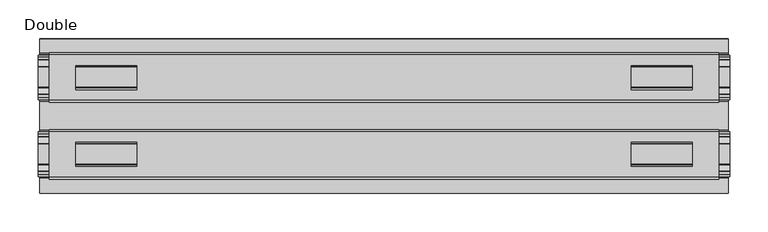
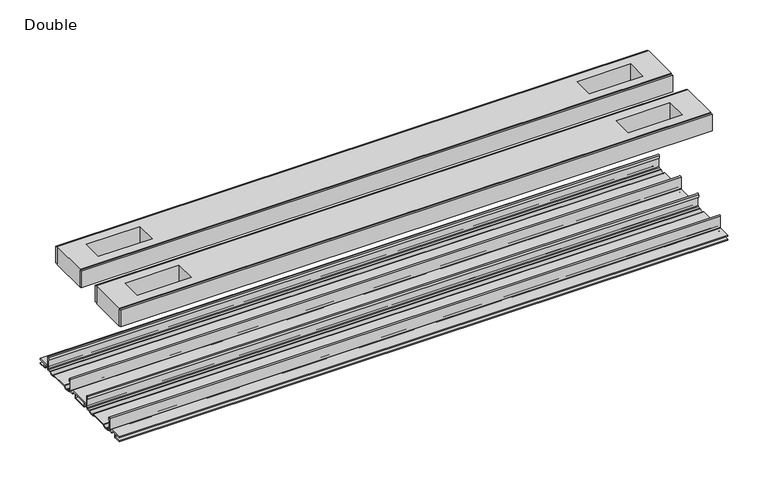
"""IFC4 building model written with IfcOpenShell, lengths in millimetres: proxy geometry, Double."""

from ifc_helpers import new_model, si_unit, point, frame, frame_2d, origin, place, context, project, spatial, polyline, circle_curve, trimmed, segment, composite_curve, outline, extrude, source, transform, mapped, element, save


def double_f926fb1b(model_context):
    return source(origin(), model_context, "Body", "SweptSolid", [
        extrude(outline(composite_curve([segment(polyline([(-78.8225461, -7.7516037), (-78.8225461, 9.8607558)]), True, "CONTINUOUS"), segment(trimmed(circle_curve(frame_2d((-77.6033482, 9.8607558)), 1.2191979), [point((-78.8225461, 9.8607558))], [point((-76.3841503, 9.8607558))], False, "CARTESIAN"), True, "CONTINUOUS"), segment(polyline([(-76.3841503, 9.8607558), (-76.3841503, 5.9999563), (-77.6643269, 5.9999563), (-77.6643269, -7.7516037)]), True, "CONTINUOUS"), segment(trimmed(circle_curve(frame_2d((-76.6483061, -7.7516037)), 1.0160208), [point((-77.6643269, -7.7516037))], [point((-76.6548232, -8.7676036))], True, "CARTESIAN"), True, "CONTINUOUS"), segment(polyline([(-76.6548232, -8.7676036), (-72.7118726, -8.7676036), (-71.7985108, -8.968753)]), True, "CONTINUOUS"), segment(trimmed(circle_curve(frame_2d((-67.7735521, -6.1259382)), 4.9276657), [point((-71.7985108, -8.968753))], [point((-63.7485934, -8.968753))], True, "CARTESIAN"), True, "CONTINUOUS"), segment(polyline([(-63.7485934, -8.968753), (-62.8352226, -8.7676036), (-36.7962778, -8.7676036), (-35.8829069, -8.968753)]), True, "CONTINUOUS"), segment(trimmed(circle_curve(frame_2d((-31.8579482, -6.1259382)), 4.9276657), [point((-35.8829069, -8.968753))], [point((-27.8329895, -8.968753))], True, "CARTESIAN"), True, "CONTINUOUS"), segment(polyline([(-27.8329895, -8.968753), (-26.9196277, -8.7676036), (-22.9766772, -8.7676036)]), True, "CONTINUOUS"), segment(trimmed(circle_curve(frame_2d((-22.9831943, -7.7516037)), 1.0160208), [point((-22.9766772, -8.7676036))], [point((-21.9671735, -7.7516037))], True, "CARTESIAN"), True, "CONTINUOUS"), segment(polyline([(-21.9671735, -7.7516037), (-21.9671735, 5.9999563), (-23.2473501, 5.9999563), (-23.2473501, 9.8607558)]), True, "CONTINUOUS"), segment(trimmed(circle_curve(frame_2d((-22.0281522, 9.8607558)), 1.2191979), [point((-23.2473501, 9.8607558))], [point((-20.8089542, 9.8607558))], False, "CARTESIAN"), True, "CONTINUOUS"), segment(polyline([(-20.8089542, 9.8607558), (-20.8089542, -7.7516037)]), True, "CONTINUOUS"), segment(trimmed(circle_curve(frame_2d((-22.9831943, -7.7516037)), 2.17424), [point((-20.8089542, -7.7516037))], [point((-22.9831943, -9.9258438))], False, "CARTESIAN"), True, "CONTINUOUS"), segment(polyline([(-22.9831943, -9.9258438), (-27.274181, -9.9258438)]), True, "CONTINUOUS"), segment(trimmed(circle_curve(frame_2d((-31.8545955, -6.4800016)), 5.7318431), [point((-27.274181, -9.9258438))], [point((-36.43501, -9.9258438))], False, "CARTESIAN"), True, "CONTINUOUS"), segment(polyline([(-36.43501, -9.9258438), (-63.1964904, -9.9258438)]), True, "CONTINUOUS"), segment(trimmed(circle_curve(frame_2d((-67.7769049, -6.4800016)), 5.7318431), [point((-63.1964904, -9.9258438))], [point((-72.3573194, -9.9258438))], False, "CARTESIAN"), True, "CONTINUOUS"), segment(polyline([(-72.3573194, -9.9258438), (-76.6483061, -9.9258438)]), True, "CONTINUOUS"), segment(trimmed(circle_curve(frame_2d((-76.6483061, -7.7516037)), 2.17424), [point((-76.6483061, -9.9258438))], [point((-78.8225461, -7.7516037))], False, "CARTESIAN"), True, "CONTINUOUS")], self_intersect=False)), frame((-448.9704, 0.0, 0.0), z_axis=(1.0, 0.0, 0.0), x_axis=(0.0, 1.0, 0.0)), (0.0, 0.0, 1.0), 897.9408),
        extrude(outline(composite_curve([segment(trimmed(circle_curve(frame_2d((77.0293057, -7.7516037)), 2.17424), [point((79.2035458, -7.7516037))], [point((77.0293057, -9.9258438))], False, "CARTESIAN"), True, "CONTINUOUS"), segment(polyline([(77.0293057, -9.9258438), (72.738319, -9.9258438)]), True, "CONTINUOUS"), segment(trimmed(circle_curve(frame_2d((68.1579045, -6.4800016)), 5.7318431), [point((72.738319, -9.9258438))], [point((63.57749, -9.9258438))], False, "CARTESIAN"), True, "CONTINUOUS"), segment(polyline([(63.57749, -9.9258438), (36.8160096, -9.9258438)]), True, "CONTINUOUS"), segment(trimmed(circle_curve(frame_2d((32.2355951, -6.4800016)), 5.7318431), [point((36.8160096, -9.9258438))], [point((27.6551806, -9.9258438))], False, "CARTESIAN"), True, "CONTINUOUS"), segment(polyline([(27.6551806, -9.9258438), (23.3641939, -9.9258438)]), True, "CONTINUOUS"), segment(trimmed(circle_curve(frame_2d((23.3641939, -7.7516037)), 2.17424), [point((23.3641939, -9.9258438))], [point((21.1899539, -7.7516037))], False, "CARTESIAN"), True, "CONTINUOUS"), segment(polyline([(21.1899539, -7.7516037), (21.1899539, 9.8607558)]), True, "CONTINUOUS"), segment(trimmed(circle_curve(frame_2d((22.4091518, 9.8607558)), 1.2191979), [point((21.1899539, 9.8607558))], [point((23.6283497, 9.8607558))], False, "CARTESIAN"), True, "CONTINUOUS"), segment(polyline([(23.6283497, 9.8607558), (23.6283497, 5.9999563), (22.3481731, 5.9999563), (22.3481731, -7.7516037)]), True, "CONTINUOUS"), segment(trimmed(circle_curve(frame_2d((23.3641939, -7.7516037)), 1.0160208), [point((22.3481731, -7.7516037))], [point((23.3576768, -8.7676036))], True, "CARTESIAN"), True, "CONTINUOUS"), segment(polyline([(23.3576768, -8.7676036), (27.3006274, -8.7676036), (28.2139892, -8.968753)]), True, "CONTINUOUS"), segment(trimmed(circle_curve(frame_2d((32.2389479, -6.1259382)), 4.9276657), [point((28.2139892, -8.968753))], [point((36.2639066, -8.968753))], True, "CARTESIAN"), True, "CONTINUOUS"), segment(polyline([(36.2639066, -8.968753), (37.1772774, -8.7676036), (63.2162222, -8.7676036), (64.1295931, -8.968753)]), True, "CONTINUOUS"), segment(trimmed(circle_curve(frame_2d((68.1545518, -6.1259382)), 4.9276657), [point((64.1295931, -8.968753))], [point((72.1795105, -8.968753))], True, "CARTESIAN"), True, "CONTINUOUS"), segment(polyline([(72.1795105, -8.968753), (73.0928723, -8.7676036), (77.0358228, -8.7676036)]), True, "CONTINUOUS"), segment(trimmed(circle_curve(frame_2d((77.0293057, -7.7516037)), 1.0160208), [point((77.0358228, -8.7676036))], [point((78.0453265, -7.7516037))], True, "CARTESIAN"), True, "CONTINUOUS"), segment(polyline([(78.0453265, -7.7516037), (78.0453265, 5.9999563), (76.7651499, 5.9999563), (76.7651499, 9.8607558)]), True, "CONTINUOUS"), segment(trimmed(circle_curve(frame_2d((77.9843478, 9.8607558)), 1.2191979), [point((76.7651499, 9.8607558))], [point((79.2035458, 9.8607558))], False, "CARTESIAN"), True, "CONTINUOUS"), segment(polyline([(79.2035458, 9.8607558), (79.2035458, -7.7516037)]), True, "CONTINUOUS")], self_intersect=False)), frame((-448.9704, 0.0, 0.0), z_axis=(1.0, 0.0, 0.0), x_axis=(0.0, 1.0, 0.0)), (0.0, 0.0, 1.0), 897.9408),
        extrude(outline(polyline([(434.9115091, -78.8225461), (434.9115091, -81.9975522), (-434.9115091, -81.9975522), (-434.9115091, -78.8225461), (434.9115091, -78.8225461)])), frame((0.0, 0.0, 149.8401622), z_axis=(0.0, 0.0, 1.0), x_axis=(1.0, 0.0, 0.0)), (0.0, 0.0, 1.0), 25.3999939),
        extrude(outline(polyline([(434.9115091, -17.6339482), (434.9115091, -20.8089542), (-434.9115091, -20.8089542), (-434.9115091, -17.6339482), (434.9115091, -17.6339482)])), frame((0.0, 0.0, 149.8401622), z_axis=(0.0, 0.0, 1.0), x_axis=(1.0, 0.0, 0.0)), (0.0, 0.0, 1.0), 25.3999939),
        extrude(outline(polyline([(434.9115091, 21.1899493), (434.9115091, 18.0149501), (-434.9115091, 18.0149501), (-434.9115091, 21.1899493), (434.9115091, 21.1899493)])), frame((0.0, 0.0, 149.8401622), z_axis=(0.0, 0.0, 1.0), x_axis=(1.0, 0.0, 0.0)), (0.0, 0.0, 1.0), 25.3999939),
        extrude(outline(polyline([(434.9115091, 82.3785496), (434.9115091, 79.2035503), (-434.9115091, 79.2035503), (-434.9115091, 82.3785496), (434.9115091, 82.3785496)])), frame((0.0, 0.0, 149.8401622), z_axis=(0.0, 0.0, 1.0), x_axis=(1.0, 0.0, 0.0)), (0.0, 0.0, 1.0), 25.3999939),
        extrude(outline(polyline([(434.9115091, 79.2035503), (434.9115091, 21.1899493), (-434.9115091, 21.1899493), (-434.9115091, 79.2035503), (434.9115091, 79.2035503)]), holes=[polyline([(400.4944965, 65.3097536), (321.4496847, 65.3097536), (321.4496847, 34.3217468), (400.4944965, 34.3217468), (400.4944965, 65.3097536)]), polyline([(-400.4944965, 65.3097536), (-400.4944965, 34.3217468), (-321.4496847, 34.3217468), (-321.4496847, 65.3097536), (-400.4944965, 65.3097536)])]), frame((0.0, 0.0, 148.4185847), z_axis=(0.0, 0.0, 1.0), x_axis=(1.0, 0.0, 0.0)), (0.0, 0.0, 1.0), 27.9999988),
        extrude(outline(polyline([(434.9115091, -78.8225461), (-434.9115091, -78.8225461), (-434.9115091, -20.8224524), (434.9115091, -20.8224524), (434.9115091, -78.8225461)]), holes=[polyline([(400.4944965, -65.3097536), (400.4944965, -34.3217468), (321.4496847, -34.3217468), (321.4496847, -65.3097536), (400.4944965, -65.3097536)]), polyline([(-400.4944965, -65.3097536), (-321.4496847, -65.3097536), (-321.4496847, -34.3217468), (-400.4944965, -34.3217468), (-400.4944965, -65.3097536)])]), frame((0.0, 0.0, 148.4185847), z_axis=(0.0, 0.0, 1.0), x_axis=(1.0, 0.0, 0.0)), (0.0, 0.0, 1.0), 27.9999988),
        extrude(outline(composite_curve([segment(polyline([(-100.2730922, -13.9898438), (-100.2302711, -12.3388438), (-89.7890007, -12.3388438), (-89.7890007, -7.766844), (-100.2302711, -7.766844), (-100.2730922, -6.1158439), (-81.1847475, -6.1158439)]), True, "CONTINUOUS"), segment(trimmed(circle_curve(frame_2d((-81.1847475, -7.6398436)), 1.5239997), [point((-81.1847475, -6.1158439))], [point((-79.6607478, -7.6398436))], False, "CARTESIAN"), True, "CONTINUOUS"), segment(polyline([(-79.6607478, -7.6398436), (-79.6607478, -9.9258438), (-73.1120844, -9.9258438)]), True, "CONTINUOUS"), segment(trimmed(circle_curve(frame_2d((-67.7735521, -5.2268471)), 7.1119966), [point((-73.1120844, -9.9258438))], [point((-62.4350199, -9.9258438))], True, "CARTESIAN"), True, "CONTINUOUS"), segment(polyline([(-62.4350199, -9.9258438), (-37.1964805, -9.9258438)]), True, "CONTINUOUS"), segment(trimmed(circle_curve(frame_2d((-31.8579482, -5.2268471)), 7.1119966), [point((-37.1964805, -9.9258438))], [point((-26.519416, -9.9258438))], True, "CARTESIAN"), True, "CONTINUOUS"), segment(polyline([(-26.519416, -9.9258438), (-19.9707525, -9.9258438), (-19.9707525, -7.7656583)]), True, "CONTINUOUS"), segment(trimmed(circle_curve(frame_2d((-18.3197518, -7.7656583)), 1.6510007), [point((-19.9707525, -7.7656583))], [point((-18.3823282, -6.1158439))], False, "CARTESIAN"), True, "CONTINUOUS"), segment(polyline([(-18.3823282, -6.1158439), (18.7633278, -6.1158439)]), True, "CONTINUOUS"), segment(trimmed(circle_curve(frame_2d((18.7007515, -7.7656583)), 1.6510007), [point((18.7633278, -6.1158439))], [point((20.3517522, -7.7656583))], False, "CARTESIAN"), True, "CONTINUOUS"), segment(polyline([(20.3517522, -7.7656583), (20.3517522, -9.9258438), (26.9004156, -9.9258438)]), True, "CONTINUOUS"), segment(trimmed(circle_curve(frame_2d((32.2389479, -5.2268471)), 7.1119966), [point((26.9004156, -9.9258438))], [point((37.5774801, -9.9258438))], True, "CARTESIAN"), True, "CONTINUOUS"), segment(polyline([(37.5774801, -9.9258438), (62.8160195, -9.9258438)]), True, "CONTINUOUS"), segment(trimmed(circle_curve(frame_2d((68.1545518, -5.2268471)), 7.1119966), [point((62.8160195, -9.9258438))], [point((73.493084, -9.9258438))], True, "CARTESIAN"), True, "CONTINUOUS"), segment(polyline([(73.493084, -9.9258438), (80.0417475, -9.9258438), (80.0417475, -7.7656583)]), True, "CONTINUOUS"), segment(trimmed(circle_curve(frame_2d((81.6927482, -7.7656583)), 1.6510007), [point((80.0417475, -7.7656583))], [point((81.6301718, -6.1158439))], False, "CARTESIAN"), True, "CONTINUOUS"), segment(polyline([(81.6301718, -6.1158439), (100.6540918, -6.1158439), (100.6112708, -7.766844), (90.1700003, -7.766844), (90.1700003, -12.3388438), (100.6112708, -12.3388438), (100.6540918, -13.9898438), (90.0430018, -13.9898438)]), True, "CONTINUOUS"), segment(trimmed(circle_curve(frame_2d((90.0430018, -12.4658438)), 1.524), [point((90.0430018, -13.9898438))], [point((88.5190019, -12.4658438))], False, "CARTESIAN"), True, "CONTINUOUS"), segment(polyline([(88.5190019, -12.4658438), (88.5190019, -7.766844), (81.692747, -7.766844), (81.692747, -10.0528438)]), True, "CONTINUOUS"), segment(trimmed(circle_curve(frame_2d((80.1687471, -10.0528438)), 1.524), [point((81.692747, -10.0528438))], [point((80.1687471, -11.5768438))], False, "CARTESIAN"), True, "CONTINUOUS"), segment(polyline([(80.1687471, -11.5768438), (73.6626049, -11.5768438)]), True, "CONTINUOUS"), segment(trimmed(circle_curve(frame_2d((68.1545518, -6.4968436)), 7.4930002), [point((73.6626049, -11.5768438))], [point((62.8967468, -11.8354331))], False, "CARTESIAN"), True, "CONTINUOUS"), segment(polyline([(62.8967468, -11.8354331), (37.4967528, -11.8354331)]), True, "CONTINUOUS"), segment(trimmed(circle_curve(frame_2d((32.2389479, -6.4968436)), 7.4930002), [point((37.4967528, -11.8354331))], [point((26.7308947, -11.5768438))], False, "CARTESIAN"), True, "CONTINUOUS"), segment(polyline([(26.7308947, -11.5768438), (20.2247526, -11.5768438)]), True, "CONTINUOUS"), segment(trimmed(circle_curve(frame_2d((20.2247526, -10.0528438)), 1.524), [point((20.2247526, -11.5768438))], [point((18.7007526, -10.0528438))], False, "CARTESIAN"), True, "CONTINUOUS"), segment(polyline([(18.7007526, -10.0528438), (18.7007526, -7.766844), (11.8744978, -7.766844), (11.8744978, -12.4658438)]), True, "CONTINUOUS"), segment(trimmed(circle_curve(frame_2d((10.3504978, -12.4658438)), 1.524), [point((11.8744978, -12.4658438))], [point((10.3504978, -13.9898438))], False, "CARTESIAN"), True, "CONTINUOUS"), segment(polyline([(10.3504978, -13.9898438), (-9.9694982, -13.9898438)]), True, "CONTINUOUS"), segment(trimmed(circle_curve(frame_2d((-9.9694982, -12.4658438)), 1.524), [point((-9.9694982, -13.9898438))], [point((-11.4934981, -12.4658438))], False, "CARTESIAN"), True, "CONTINUOUS"), segment(polyline([(-11.4934981, -12.4658438), (-11.4934981, -7.766844), (-18.319753, -7.766844), (-18.319753, -10.0528438)]), True, "CONTINUOUS"), segment(trimmed(circle_curve(frame_2d((-19.8437529, -10.0528438)), 1.524), [point((-18.319753, -10.0528438))], [point((-19.8437529, -11.5768438))], False, "CARTESIAN"), True, "CONTINUOUS"), segment(polyline([(-19.8437529, -11.5768438), (-26.3498951, -11.5768438)]), True, "CONTINUOUS"), segment(trimmed(circle_curve(frame_2d((-31.8579482, -6.4968436)), 7.4930002), [point((-26.3498951, -11.5768438))], [point((-37.1157532, -11.8354331))], False, "CARTESIAN"), True, "CONTINUOUS"), segment(polyline([(-37.1157532, -11.8354331), (-62.5157472, -11.8354331)]), True, "CONTINUOUS"), segment(trimmed(circle_curve(frame_2d((-67.7735521, -6.4968436)), 7.4930002), [point((-62.5157472, -11.8354331))], [point((-73.2816053, -11.5768438))], False, "CARTESIAN"), True, "CONTINUOUS"), segment(polyline([(-73.2816053, -11.5768438), (-79.7877474, -11.5768438)]), True, "CONTINUOUS"), segment(trimmed(circle_curve(frame_2d((-79.7877474, -10.0528438)), 1.524), [point((-79.7877474, -11.5768438))], [point((-81.3117474, -10.0528438))], False, "CARTESIAN"), True, "CONTINUOUS"), segment(polyline([(-81.3117474, -10.0528438), (-81.3117474, -7.766844), (-88.1380022, -7.766844), (-88.1380022, -12.4658438)]), True, "CONTINUOUS"), segment(trimmed(circle_curve(frame_2d((-89.6620022, -12.4658438)), 1.524), [point((-88.1380022, -12.4658438))], [point((-89.6620022, -13.9898438))], False, "CARTESIAN"), True, "CONTINUOUS"), segment(polyline([(-89.6620022, -13.9898438), (-100.2730922, -13.9898438)]), True, "CONTINUOUS")], self_intersect=False), holes=[polyline([(-9.8424997, -12.3388438), (10.2234993, -12.3388438), (10.2234993, -7.766844), (-9.8424997, -7.766844), (-9.8424997, -12.3388438)])]), frame((-447.3194, 0.0, 0.0), z_axis=(1.0, 0.0, 0.0), x_axis=(0.0, 1.0, 0.0)), (0.0, 0.0, 1.0), 894.6388),
    ])


if __name__ == "__main__":
    model = new_model("IFC4")
    model_context = context("Model", 3, world=origin())
    ifc_project = project(units=[si_unit("LENGTHUNIT", "METRE", prefix="MILLI")], contexts=[model_context])
    site = spatial("IfcSite", under=ifc_project)
    building = spatial("IfcBuilding", under=site)
    placement = place(None, origin())
    double_shape = double_f926fb1b(model_context)
    element("IfcBuildingElementProxy", 1, Name="Double", ObjectType="Double", at=placement, inside=building, context=model_context, shape_type="MappedRepresentation", body=[
        mapped(double_shape, transform((0.0, 0.0, 0.0), x_axis=(1.0, 0.0, 0.0), y_axis=(0.0, 1.0, 0.0), z_axis=(0.0, 0.0, 1.0))),
    ])
    save(model, "model.ifc")
